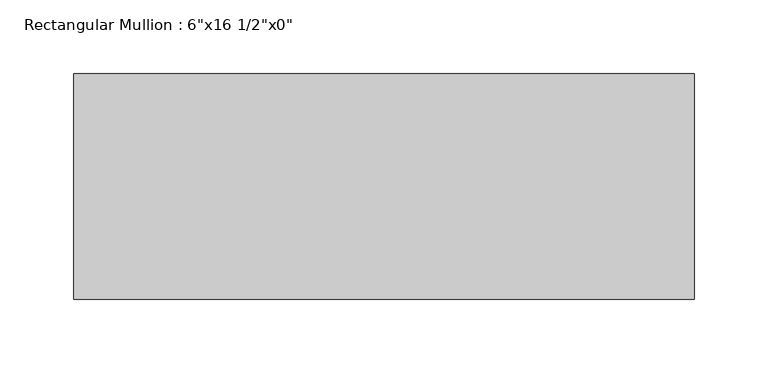
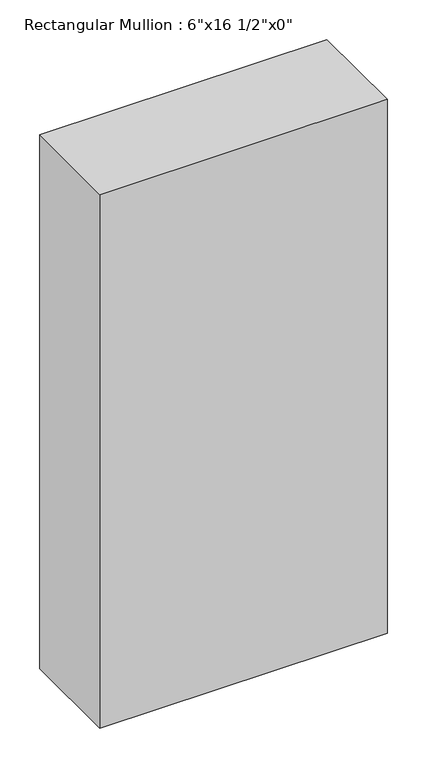
"""IFC4 building model written with IfcOpenShell, lengths in millimetres: member geometry."""

from ifc_helpers import new_model, si_unit, frame, origin, place, context, project, spatial, polyline, outline, extrude, source, transform, mapped, element, save


def member_5f303865(model_context):
    return source(origin(), model_context, "Body", "SweptSolid", [
        extrude(outline(polyline([(0.0, 76.2), (0.0, -76.2), (-419.1, -76.2), (-419.1, 76.2), (0.0, 76.2)])), frame((0.0, 0.0, -823.3833333), z_axis=(0.0, 0.0, 1.0), x_axis=(1.0, 0.0, 0.0)), (0.0, 0.0, 1.0), 823.3833333),
    ])


if __name__ == "__main__":
    model = new_model("IFC4")
    model_context = context("Model", 3, world=origin())
    ifc_project = project(units=[si_unit("LENGTHUNIT", "METRE", prefix="MILLI")], contexts=[model_context])
    site = spatial("IfcSite", under=ifc_project)
    building = spatial("IfcBuilding", under=site)
    placement = place(None, origin())
    member_shape = member_5f303865(model_context)
    element("IfcMember", 1, ObjectType="Rectangular Mullion : 6\"x16 1/2\"x0\"", at=placement, inside=building, context=model_context, shape_type="MappedRepresentation", body=[
        mapped(member_shape, transform((0.0, 0.0, 0.0), x_axis=(1.0, 0.0, 0.0), y_axis=(0.0, 1.0, 0.0), z_axis=(0.0, 0.0, 1.0))),
    ])
    save(model, "model.ifc")
